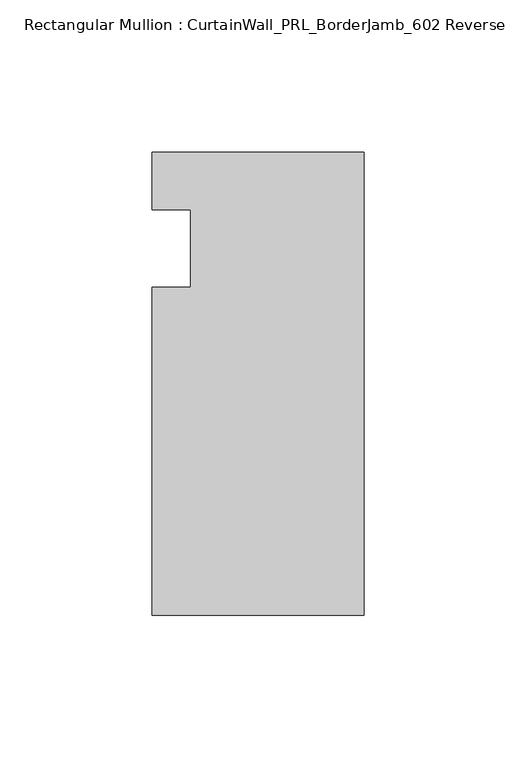
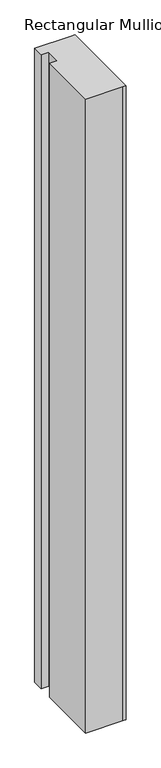
"""IFC4 building model written with IfcOpenShell, lengths in millimetres: member geometry, Rectangular Mullion : CurtainWall_PRL_BorderJamb_602 Reverse."""

import ifcopenshell
import ifcopenshell.guid

model = None  # the IFC model being written
_history = None  # IfcOwnerHistory: only IFC2X3 demands one
_inside = {}  # id of a spatial element -> (the spatial element, [elements in it])
_under = {}  # id of a project, library or spatial element -> (it, [spatial elements below it])
_declared = {}  # id of a project -> (the project, [libraries it declares])
_typed = {}  # id of a type object -> (the type object, [elements of that type])
_made_of = {}  # id of a material, layer set ... -> (it, [elements and type objects made of it])


def new_model(schema):
    """Start an empty IFC model of exactly this schema.

    Asked for "IFC4X3", IfcOpenShell would pick the latest addendum, in which some entities
    have other attributes; the version numbers below select the first issue.
    IFC2X3 requires an IfcOwnerHistory on every rooted entity: one is made here for all.
    """
    global model, _history
    if schema == "IFC4X3":
        model = ifcopenshell.file(schema_version=(4, 3, 0, 0))
    else:
        model = ifcopenshell.file(schema=schema)
    _inside.clear()
    _under.clear()
    _declared.clear()
    _typed.clear()
    _made_of.clear()
    _history = None
    if model.schema == "IFC2X3":
        org = make("IfcOrganization", Name="unknown")
        user = make(
            "IfcPersonAndOrganization",
            ThePerson=make("IfcPerson", FamilyName="unknown"),
            TheOrganization=org,
        )
        app = make(
            "IfcApplication",
            ApplicationDeveloper=org,
            Version="unknown",
            ApplicationFullName="unknown",
            ApplicationIdentifier="unknown",
        )
        _history = make(
            "IfcOwnerHistory",
            OwningUser=user,
            OwningApplication=app,
            ChangeAction="ADDED",
            CreationDate=0,
        )
    return model


def make(cls, **values):
    """One entity of the class cls with the attributes given. An attribute that is None is left unset."""
    return model.create_entity(
        cls, **{name: value for name, value in values.items() if value is not None}
    )


def rooted(cls, **values):
    """An entity with a GlobalId (a new one), such as an element, a storey or a relation."""
    return make(cls, GlobalId=ifcopenshell.guid.new(), OwnerHistory=_history, **values)


def si_unit(unit_type, name, prefix=None):
    """IfcSIUnit, for example si_unit("LENGTHUNIT", "METRE", prefix="MILLI")."""
    return make("IfcSIUnit", UnitType=unit_type, Prefix=prefix, Name=name)


def assignment(units):
    """IfcUnitAssignment: the units of a project."""
    return None if units is None else make("IfcUnitAssignment", Units=units)


def point(xyz):
    """IfcCartesianPoint."""
    return None if xyz is None else make("IfcCartesianPoint", Coordinates=xyz)


def direction(xyz):
    """IfcDirection."""
    return None if xyz is None else make("IfcDirection", DirectionRatios=xyz)


def frame(location, z_axis=None, x_axis=None):
    """IfcAxis2Placement3D, a coordinate frame: its origin and axes. An axis left out is left unset."""
    return make(
        "IfcAxis2Placement3D",
        Location=point(location),
        Axis=direction(z_axis),
        RefDirection=direction(x_axis),
    )


def origin():
    """The frame at (0, 0, 0) with its axes left unset."""
    return frame((0.0, 0.0, 0.0))


def place(relative_to, where):
    """IfcLocalPlacement: puts the frame where relative to a parent placement (None: the world)."""
    return make(
        "IfcLocalPlacement", PlacementRelTo=relative_to, RelativePlacement=where
    )


def context(
    kind, dimensions, precision=None, world=None, true_north=None, identifier=None
):
    """IfcGeometricRepresentationContext, for example the 3D "Model" context."""
    return make(
        "IfcGeometricRepresentationContext",
        ContextIdentifier=identifier,
        ContextType=kind,
        CoordinateSpaceDimension=dimensions,
        Precision=precision,
        WorldCoordinateSystem=world,
        TrueNorth=true_north,
    )


def project(units=None, contexts=None):
    """IfcProject with its units and contexts."""
    return rooted(
        "IfcProject",
        Name="project",
        RepresentationContexts=contexts,
        UnitsInContext=assignment(units),
    )


def spatial(cls, under=None, at=None, **own):
    """A site, building, storey or space (cls), placed at a placement, below another one or the project."""
    s = rooted(cls, ObjectPlacement=at, **own)
    if under is not None:
        _under.setdefault(under.id(), (under, []))[1].append(s)
    return s


def polyline(points):
    """IfcPolyline through the points."""
    return make("IfcPolyline", Points=[point(p) for p in points])


def outline(outer, holes=None, kind="AREA"):
    """IfcArbitraryClosedProfileDef: a profile drawn as a closed curve; with holes, ...WithVoids."""
    if holes is None:
        return make("IfcArbitraryClosedProfileDef", ProfileType=kind, OuterCurve=outer)
    return make(
        "IfcArbitraryProfileDefWithVoids",
        ProfileType=kind,
        OuterCurve=outer,
        InnerCurves=holes,
    )


def extrude(swept, where, along, depth):
    """IfcExtrudedAreaSolid: the profile swept, set in the frame where, extruded along a direction by depth."""
    return make(
        "IfcExtrudedAreaSolid",
        SweptArea=swept,
        Position=where,
        ExtrudedDirection=direction(along),
        Depth=depth,
    )


def shape(context_of_items, identifier, shape_type, items):
    """IfcShapeRepresentation: the items that make up one representation, for example the "Body"."""
    return make(
        "IfcShapeRepresentation",
        ContextOfItems=context_of_items,
        RepresentationIdentifier=identifier,
        RepresentationType=shape_type,
        Items=items,
    )


def source(mapping_origin, context_of_items, identifier, shape_type, items):
    """IfcRepresentationMap: a shape defined once, which mapped items show again and again."""
    return make(
        "IfcRepresentationMap",
        MappingOrigin=mapping_origin,
        MappedRepresentation=shape(context_of_items, identifier, shape_type, items),
    )


def transform(
    local_origin,
    x_axis=None,
    y_axis=None,
    z_axis=None,
    scale=None,
    scale2=None,
    scale3=None,
    uniform=True,
):
    """IfcCartesianTransformationOperator3D, or its non-uniform kind. x_axis, y_axis, z_axis: its Axis1, 2, 3."""
    if uniform:
        return make(
            "IfcCartesianTransformationOperator3D",
            Axis1=direction(x_axis),
            Axis2=direction(y_axis),
            LocalOrigin=point(local_origin),
            Scale=scale,
            Axis3=direction(z_axis),
        )
    return make(
        "IfcCartesianTransformationOperator3DnonUniform",
        Axis1=direction(x_axis),
        Axis2=direction(y_axis),
        LocalOrigin=point(local_origin),
        Scale=scale,
        Axis3=direction(z_axis),
        Scale2=scale2,
        Scale3=scale3,
    )


def mapped(mapping_source, mapping_target):
    """IfcMappedItem: shows the shape of a source again, moved by a transform."""
    return make(
        "IfcMappedItem", MappingSource=mapping_source, MappingTarget=mapping_target
    )


def made_of(thing, what):
    """Note that an element or type object is made of a material, layer set ...; save() writes the relation."""
    if what is not None:
        _made_of.setdefault(what.id(), (what, []))[1].append(thing)
    return thing


def element(
    cls,
    number,
    at=None,
    inside=None,
    cuts=None,
    type_object=None,
    material=None,
    context=None,
    identifier="Body",
    shape_type=None,
    held_by="IfcProductDefinitionShape",
    body=None,
    shapes=None,
    **own,
):
    """One element of the class cls, such as IfcWall. Its Tag is "e" and its number.

    at: its placement. inside: the storey or other place that contains it. cuts: it is an
    opening in that element (IfcRelVoidsElement). A single representation is given by context,
    identifier, shape_type and body (its items); several are given by shapes. held_by: the class
    of the entity that holds the representations. save() writes the other relations.
    """
    e = rooted(cls, Tag="e%d" % number, ObjectPlacement=at, **own)
    if body is not None:
        shapes = [shape(context, identifier, shape_type, body)]
    if shapes is not None:
        e.Representation = make(held_by, Representations=shapes)
    if inside is not None:
        _inside.setdefault(inside.id(), (inside, []))[1].append(e)
    if cuts is not None:
        rooted(
            "IfcRelVoidsElement", RelatingBuildingElement=cuts, RelatedOpeningElement=e
        )
    if type_object is not None:
        _typed.setdefault(type_object.id(), (type_object, []))[1].append(e)
    return made_of(e, material)


def aggregate(whole, parts):
    """IfcRelAggregates: a whole, such as a stair, and the parts it consists of."""
    return rooted("IfcRelAggregates", RelatingObject=whole, RelatedObjects=parts)


def save(model, path):
    """Write the relations noted so far, then the file.

    IfcRelAggregates (storeys below a building ...), IfcRelContainedInSpatialStructure (elements
    in a storey), IfcRelDefinesByType, IfcRelAssociatesMaterial and IfcRelDeclares: one each for
    every whole, place, type object, material and project.
    """
    for whole, parts in _under.values():
        aggregate(whole, parts)
    for where, things in _inside.values():
        rooted(
            "IfcRelContainedInSpatialStructure",
            RelatedElements=things,
            RelatingStructure=where,
        )
    for kind, things in _typed.values():
        rooted("IfcRelDefinesByType", RelatedObjects=things, RelatingType=kind)
    for what, things in _made_of.values():
        rooted("IfcRelAssociatesMaterial", RelatedObjects=things, RelatingMaterial=what)
    for by, libraries in _declared.values():
        rooted("IfcRelDeclares", RelatingContext=by, RelatedDefinitions=libraries)
    model.write(path)


def rectangular_mullion_curtainwall_prl_borderjamb_602_reverse_d8575620(model_context):
    return source(origin(), model_context, "Body", "SweptSolid", [
        extrude(outline(polyline([(-57.15, -12.7), (-57.15, 12.7), (-69.85, 12.7), (-69.85, 31.75), (-7.3958824, 31.75), (0.0, 31.75), (0.0, -120.65), (-6.35, -120.65), (-69.85, -120.65), (-69.85, -12.7), (-57.15, -12.7)])), frame((0.0, 0.0, -1155.7), z_axis=(0.0, 0.0, 1.0), x_axis=(1.0, 0.0, 0.0)), (0.0, 0.0, 1.0), 1155.7),
    ])


if __name__ == "__main__":
    model = new_model("IFC4")
    model_context = context("Model", 3, world=origin())
    ifc_project = project(units=[si_unit("LENGTHUNIT", "METRE", prefix="MILLI")], contexts=[model_context])
    site = spatial("IfcSite", under=ifc_project)
    building = spatial("IfcBuilding", under=site)
    placement = place(None, origin())
    rectangular_mullion_curtainwall_prl_borderjamb_602_reverse_shape = rectangular_mullion_curtainwall_prl_borderjamb_602_reverse_d8575620(model_context)
    element("IfcMember", 1, ObjectType="Rectangular Mullion : CurtainWall_PRL_BorderJamb_602 Reverse", at=placement, inside=building, context=model_context, shape_type="MappedRepresentation", body=[
        mapped(rectangular_mullion_curtainwall_prl_borderjamb_602_reverse_shape, transform((0.0, 0.0, 0.0), x_axis=(1.0, 0.0, 0.0), y_axis=(0.0, 1.0, 0.0), z_axis=(0.0, 0.0, 1.0))),
    ])
    save(model, "model.ifc")
